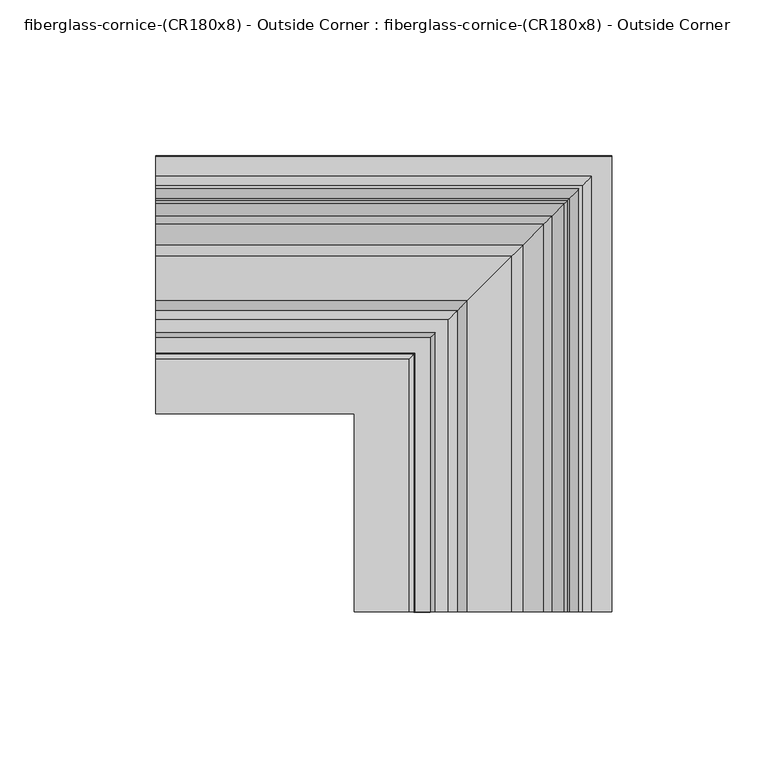
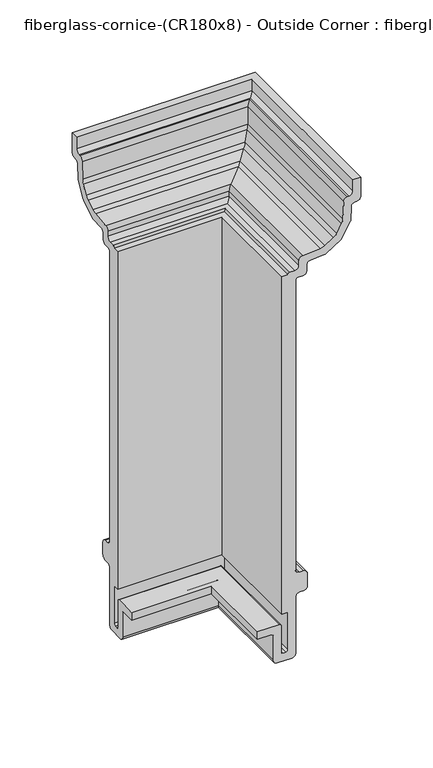
"""IFC4 building model written with IfcOpenShell, lengths in millimetres: furniture geometry, fiberglass-cornice-(CR180x8) - Outside Corner : fiberglass-cornice-(CR180x8) - Outside Corner."""

from ifc_helpers import new_model, si_unit, frame, origin, place, context, project, spatial, polyline, circle_curve, ellipse_curve, source, transform, mapped, element, save
from ifc_brep_helpers import plane_surface, cylinder_surface, revolved_surface, advanced_brep


def fiberglass_cornice_cr180x8_outside_corner_fiberglass_cornice_961a654e(model_context):
    return source(origin(), model_context, "Body", "AdvancedBrep", [
        advanced_brep(
        [(-196.9488213, 184.0460006, 330.1999904), (-196.9488213, 184.111361, 314.1070439), (-196.9488213, 180.936361, 310.9320439), (-196.9488213, 179.6641986, 310.9320439), (-196.9488213, 176.4918464, 307.8866827), (-196.9488213, 176.0253445, 296.4710627), (-196.9488213, 175.7856957, 295.6445662), (-196.9488213, 168.7707865, 283.4942521), (-196.9488213, 168.17485, 282.8734562), (-196.9488213, 156.3212036, 275.3681146), (-196.9488213, 155.5051855, 275.0949071), (-196.9488213, 143.991913, 274.1521808), (-196.9488213, 141.0763949, 271.2366627), (-196.9488213, 141.0690401, 266.3509303), (-196.9488213, 137.8940437, 263.171163), (-196.9488213, 133.804655, 263.171163), (-196.9488213, 132.217155, 261.583663), (-196.9488213, 132.217155, 16.6929136), (-196.9488213, 135.392155, 13.5179136), (-196.9488213, 138.3928449, 13.5179136), (-196.9488213, 141.5678449, 10.3429136), (-196.9488213, 141.5678449, 0.0731593), (-196.9488213, 138.3928449, -3.1018407), (-196.9488213, 135.392155, -3.1018407), (-196.9488213, 132.217155, -6.2768407), (-196.9488213, 132.217155, -53.6088226), (-196.9488213, 129.042155, -56.7838226), (-196.9488213, 117.475, -56.7838226), (-196.9488213, 114.3, -53.6088226), (-196.9488213, 114.3, -32.9713226), (-196.9488213, 112.7125, -31.3838226), (-196.9488213, 101.6, -31.3838226), (-196.9488213, 101.6, -25.0338226), (-196.9488213, 119.0625, -25.0338226), (-196.9488213, 120.65, -26.6213226), (-196.9488213, 120.65, -48.8463226), (-196.9488213, 122.2375, -50.4338226), (-196.9488213, 124.279655, -50.4338226), (-196.9488213, 125.867155, -48.8463226), (-196.9488213, 125.867155, -17.0963226), (-196.9488213, 121.104655, -17.0963226), (-196.9488213, 121.104655, 267.933663), (-196.9488213, 125.867155, 267.933663), (-196.9488213, 127.454655, 269.521163), (-196.9488213, 131.5535711, 269.521163), (-196.9488213, 134.7285693, 272.6927921), (-196.9488213, 134.739389, 277.0104378), (-196.9488213, 137.6506927, 280.0042025), (-196.9488213, 151.9231106, 281.1728523), (-196.9488213, 155.5215238, 282.3776218), (-196.9488213, 162.1806397, 286.5939564), (-196.9488213, 164.8085542, 289.3314941), (-196.9488213, 168.7493748, 296.1572713), (-196.9488213, 169.8061596, 299.8018911), (-196.9488213, 170.3960406, 314.2366827), (-196.9488213, 173.5683928, 317.2820439), (-196.9488213, 174.586361, 317.2820439), (-196.9488213, 177.761361, 320.4570439), (-196.9488213, 177.761361, 330.1999904), (-50.903602, 38.0007813, 330.1999904), (-57.1882416, 38.0007813, 330.1999904), (-57.1882416, 38.0007813, 320.4570439), (-60.3632416, 38.0007813, 317.2820439), (-61.3812097, 38.0007813, 317.2820439), (-64.553562, 38.0007813, 314.2366827), (-65.143443, 38.0007813, 299.8018911), (-66.2002278, 38.0007813, 296.1572713), (-70.1410484, 38.0007813, 289.3314941), (-72.7689629, 38.0007813, 286.5939564), (-79.4280788, 38.0007813, 282.3776218), (-83.026492, 38.0007813, 281.1728523), (-97.2989099, 38.0007813, 280.0042025), (-100.2102136, 38.0007813, 277.0104378), (-100.2210333, 38.0007813, 272.6927921), (-103.3960315, 38.0007813, 269.521163), (-107.4949476, 38.0007813, 269.521163), (-109.0824476, 38.0007813, 267.933663), (-113.8449476, 38.0007813, 267.933663), (-113.8449476, 38.0007813, -17.0963226), (-109.0824476, 38.0007813, -17.0963226), (-109.0824476, 38.0007813, -48.8463226), (-110.6699476, 38.0007813, -50.4338226), (-112.7121026, 38.0007813, -50.4338226), (-114.2996026, 38.0007813, -48.8463226), (-114.2996026, 38.0007813, -26.6213226), (-115.8871026, 38.0007813, -25.0338226), (-133.3496026, 38.0007813, -25.0338226), (-133.3496026, 38.0007813, -31.3838226), (-122.2371026, 38.0007813, -31.3838226), (-120.6496026, 38.0007813, -32.9713226), (-120.6496026, 38.0007813, -53.6088226), (-117.4746026, 38.0007813, -56.7838226), (-105.9074476, 38.0007813, -56.7838226), (-102.7324476, 38.0007813, -53.6088226), (-102.7324476, 38.0007813, -6.2768407), (-99.5574476, 38.0007813, -3.1018407), (-96.5567576, 38.0007813, -3.1018407), (-93.3817576, 38.0007813, 0.0731593), (-93.3817576, 38.0007813, 10.3429136), (-96.5567576, 38.0007813, 13.5179136), (-99.5574476, 38.0007813, 13.5179136), (-102.7324476, 38.0007813, 16.6929136), (-102.7324476, 38.0007813, 261.583663), (-101.1449476, 38.0007813, 263.171163), (-97.0555589, 38.0007813, 263.171163), (-93.8805625, 38.0007813, 266.3509303), (-93.8732077, 38.0007813, 271.2366627), (-90.9576896, 38.0007813, 274.1521808), (-79.4444171, 38.0007813, 275.0949071), (-78.628399, 38.0007813, 275.3681146), (-66.7747526, 38.0007813, 282.8734562), (-66.1788161, 38.0007813, 283.4942521), (-59.1639069, 38.0007813, 295.6445662), (-58.9242581, 38.0007813, 296.4710627), (-58.4577562, 38.0007813, 307.8866827), (-55.285404, 38.0007813, 310.9320439), (-54.0132416, 38.0007813, 310.9320439), (-50.8382416, 38.0007813, 314.1070439), (-50.903602, 184.0460006, 330.1999904), (-50.8382416, 184.111361, 314.1070439), (-54.0132416, 180.936361, 310.9320439), (-55.285404, 179.6641986, 310.9320439), (-58.4577562, 176.4918464, 307.8866827), (-58.9242581, 176.0253445, 296.4710627), (-59.1639069, 175.7856957, 295.6445662), (-66.1788161, 168.7707865, 283.4942521), (-66.7747526, 168.17485, 282.8734562), (-78.628399, 156.3212036, 275.3681146), (-79.4444171, 155.5051855, 275.0949071), (-90.9576896, 143.991913, 274.1521808), (-93.8732077, 141.0763949, 271.2366627), (-93.8805625, 141.0690401, 266.3509303), (-97.0555589, 137.8940437, 263.171163), (-101.1449476, 133.804655, 263.171163), (-102.7324476, 132.217155, 261.583663), (-102.7324476, 132.217155, 16.6929136), (-99.5574476, 135.392155, 13.5179136), (-96.5567576, 138.3928449, 13.5179136), (-93.3817576, 141.5678449, 10.3429136), (-93.3817576, 141.5678449, 0.0731593), (-96.5567576, 138.3928449, -3.1018407), (-99.5574476, 135.392155, -3.1018407), (-102.7324476, 132.217155, -6.2768407), (-102.7324476, 132.217155, -53.6088226), (-105.9074476, 129.042155, -56.7838226), (-117.4746026, 117.475, -56.7838226), (-120.6496026, 114.3, -53.6088226), (-120.6496026, 114.3, -32.9713226), (-122.2371026, 112.7125, -31.3838226), (-133.3496026, 101.6, -31.3838226), (-133.3496026, 101.6, -25.0338226), (-115.8871026, 119.0625, -25.0338226), (-114.2996026, 120.65, -26.6213226), (-114.2996026, 120.65, -48.8463226), (-112.7121026, 122.2375, -50.4338226), (-110.6699476, 124.279655, -50.4338226), (-109.0824476, 125.867155, -48.8463226), (-109.0824476, 125.867155, -17.0963226), (-113.8449476, 121.104655, -17.0963226), (-113.8449476, 121.104655, 267.933663), (-109.0824476, 125.867155, 267.933663), (-107.4949476, 127.454655, 269.521163), (-103.3960315, 131.5535711, 269.521163), (-100.2210333, 134.7285693, 272.6927921), (-100.2102136, 134.739389, 277.0104378), (-97.2989099, 137.6506927, 280.0042025), (-83.026492, 151.9231106, 281.1728523), (-79.4280788, 155.5215238, 282.3776218), (-72.7689629, 162.1806397, 286.5939564), (-70.1410484, 164.8085542, 289.3314941), (-66.2002278, 168.7493748, 296.1572713), (-65.143443, 169.8061596, 299.8018911), (-64.553562, 170.3960406, 314.2366827), (-61.3812097, 173.5683928, 317.2820439), (-60.3632416, 174.586361, 317.2820439), (-57.1882416, 177.761361, 320.4570439), (-57.1882416, 177.761361, 330.1999904)],
        [
            (0, 1),
            (1, 2, circle_curve(frame((-196.9488213, 180.936361, 314.1070439), z_axis=(-1.0, 0.0, 0.0), x_axis=(0.0, -1.0, 0.0)), 3.175)),
            (2, 3),
            (3, 4, circle_curve(frame((-196.9488213, 179.6641986, 307.7570439), z_axis=(1.0, 0.0, 0.0), x_axis=(0.0, -1.0, 0.0)), 3.175)),
            (4, 5),
            (5, 6, circle_curve(frame((-196.9488213, 174.2268456, 296.5445587), z_axis=(-1.0, 0.0, 0.0), x_axis=(0.0, 1.0, 0.0)), 1.8)),
            (6, 7),
            (7, 8, circle_curve(frame((-196.9488213, 167.2119364, 284.3942446), z_axis=(-1.0, 0.0, 0.0), x_axis=(0.0, 1.0, 0.0)), 1.8)),
            (8, 9),
            (9, 10, circle_curve(frame((-196.9488213, 155.35829, 276.8889031), z_axis=(-1.0, 0.0, 0.0), x_axis=(0.0, 1.0, 0.0)), 1.8)),
            (10, 11),
            (11, 12, circle_curve(frame((-196.9488213, 143.991913, 271.2366627), z_axis=(1.0, 0.0, 0.0), x_axis=(0.0, 1.0, 0.0)), 2.9155181)),
            (12, 13),
            (13, 14, circle_curve(frame((-196.9488213, 137.8940437, 266.346163), z_axis=(-1.0, 0.0, 0.0), x_axis=(0.0, -1.0, 0.0)), 3.175)),
            (14, 15),
            (15, 16, circle_curve(frame((-196.9488213, 133.804655, 261.583663), z_axis=(1.0, 0.0, 0.0), x_axis=(0.0, -1.0, 0.0)), 1.5875)),
            (16, 17),
            (17, 18, circle_curve(frame((-196.9488213, 135.392155, 16.6929136), z_axis=(1.0, 0.0, 0.0), x_axis=(0.0, -1.0, 0.0)), 3.175)),
            (18, 19),
            (19, 20, circle_curve(frame((-196.9488213, 138.3928449, 10.3429136), z_axis=(-1.0, 0.0, 0.0), x_axis=(0.0, -1.0, 0.0)), 3.175)),
            (20, 21),
            (21, 22, circle_curve(frame((-196.9488213, 138.3928449, 0.0731593), z_axis=(-1.0, 0.0, 0.0), x_axis=(0.0, -1.0, 0.0)), 3.175)),
            (22, 23),
            (23, 24, circle_curve(frame((-196.9488213, 135.392155, -6.2768407), z_axis=(1.0, 0.0, 0.0), x_axis=(0.0, -1.0, 0.0)), 3.175)),
            (24, 25),
            (25, 26, circle_curve(frame((-196.9488213, 129.042155, -53.6088226), z_axis=(-1.0, 0.0, 0.0), x_axis=(0.0, -1.0, 0.0)), 3.175)),
            (26, 27),
            (27, 28, circle_curve(frame((-196.9488213, 117.475, -53.6088226), z_axis=(-1.0, 0.0, 0.0), x_axis=(0.0, -1.0, 0.0)), 3.175)),
            (28, 29),
            (29, 30, circle_curve(frame((-196.9488213, 112.7125, -32.9713226), z_axis=(1.0, 0.0, 0.0), x_axis=(0.0, -1.0, 0.0)), 1.5875)),
            (30, 31),
            (31, 32),
            (32, 33),
            (33, 34, circle_curve(frame((-196.9488213, 119.0625, -26.6213226), z_axis=(-1.0, 0.0, 0.0), x_axis=(0.0, -1.0, 0.0)), 1.5875)),
            (34, 35),
            (35, 36, circle_curve(frame((-196.9488213, 122.2375, -48.8463226), z_axis=(1.0, 0.0, 0.0), x_axis=(0.0, -1.0, 0.0)), 1.5875)),
            (36, 37),
            (37, 38, circle_curve(frame((-196.9488213, 124.279655, -48.8463226), z_axis=(1.0, 0.0, 0.0), x_axis=(0.0, -1.0, 0.0)), 1.5875)),
            (38, 39),
            (39, 40),
            (40, 41),
            (41, 42),
            (42, 43, circle_curve(frame((-196.9488213, 127.454655, 267.933663), z_axis=(-1.0, 0.0, 0.0), x_axis=(0.0, -1.0, 0.0)), 1.5875)),
            (43, 44),
            (44, 45, circle_curve(frame((-196.9488213, 131.5535711, 272.696163), z_axis=(1.0, 0.0, 0.0), x_axis=(0.0, -1.0, 0.0)), 3.175)),
            (45, 46),
            (46, 47, circle_curve(frame((-196.9488213, 137.9097999, 276.8397928), z_axis=(-1.0, 0.0, 0.0), x_axis=(0.0, -1.0, 0.0)), 3.175)),
            (47, 48),
            (48, 49, circle_curve(frame((-196.9488213, 151.2753426, 289.0838764), z_axis=(1.0, 0.0, 0.0), x_axis=(0.0, -1.0, 0.0)), 7.9375)),
            (49, 50),
            (50, 51, circle_curve(frame((-196.9488213, 157.9344585, 293.300211), z_axis=(1.0, 0.0, 0.0), x_axis=(0.0, -1.0, 0.0)), 7.9375)),
            (51, 52),
            (52, 53, circle_curve(frame((-196.9488213, 161.875279, 300.1259883), z_axis=(1.0, 0.0, 0.0), x_axis=(0.0, -1.0, 0.0)), 7.9375)),
            (53, 54),
            (54, 55, circle_curve(frame((-196.9488213, 173.5683928, 314.1070439), z_axis=(-1.0, 0.0, 0.0), x_axis=(0.0, -1.0, 0.0)), 3.175)),
            (55, 56),
            (56, 57, circle_curve(frame((-196.9488213, 174.586361, 320.4570439), z_axis=(1.0, 0.0, 0.0), x_axis=(0.0, -1.0, 0.0)), 3.175)),
            (57, 58),
            (58, 0),
            (59, 60),
            (60, 61),
            (61, 62, circle_curve(frame((-60.3632416, 38.0007813, 320.4570439), z_axis=(0.0, 1.0, 0.0), x_axis=(-1.0, 0.0, 0.0)), 3.175)),
            (62, 63),
            (63, 64, circle_curve(frame((-61.3812097, 38.0007813, 314.1070439), z_axis=(0.0, -1.0, 0.0), x_axis=(-1.0, 0.0, 0.0)), 3.175)),
            (64, 65),
            (65, 66, circle_curve(frame((-73.0743236, 38.0007813, 300.1259883), z_axis=(0.0, 1.0, 0.0), x_axis=(-1.0, 0.0, 0.0)), 7.9375)),
            (66, 67),
            (67, 68, circle_curve(frame((-77.0151441, 38.0007813, 293.300211), z_axis=(0.0, 1.0, 0.0), x_axis=(-1.0, 0.0, 0.0)), 7.9375)),
            (68, 69),
            (69, 70, circle_curve(frame((-83.67426, 38.0007813, 289.0838764), z_axis=(0.0, 1.0, 0.0), x_axis=(-1.0, 0.0, 0.0)), 7.9375)),
            (70, 71),
            (71, 72, circle_curve(frame((-97.0398027, 38.0007813, 276.8397928), z_axis=(0.0, -1.0, 0.0), x_axis=(-1.0, 0.0, 0.0)), 3.175)),
            (72, 73),
            (73, 74, circle_curve(frame((-103.3960315, 38.0007813, 272.696163), z_axis=(0.0, 1.0, 0.0), x_axis=(-1.0, 0.0, 0.0)), 3.175)),
            (74, 75),
            (75, 76, circle_curve(frame((-107.4949476, 38.0007813, 267.933663), z_axis=(0.0, -1.0, 0.0), x_axis=(-1.0, 0.0, 0.0)), 1.5875)),
            (76, 77),
            (77, 78),
            (78, 79),
            (79, 80),
            (80, 81, circle_curve(frame((-110.6699476, 38.0007813, -48.8463226), z_axis=(0.0, 1.0, 0.0), x_axis=(-1.0, 0.0, 0.0)), 1.5875)),
            (81, 82),
            (82, 83, circle_curve(frame((-112.7121026, 38.0007813, -48.8463226), z_axis=(0.0, 1.0, 0.0), x_axis=(-1.0, 0.0, 0.0)), 1.5875)),
            (83, 84),
            (84, 85, circle_curve(frame((-115.8871026, 38.0007813, -26.6213226), z_axis=(0.0, -1.0, 0.0), x_axis=(-1.0, 0.0, 0.0)), 1.5875)),
            (85, 86),
            (86, 87),
            (87, 88),
            (88, 89, circle_curve(frame((-122.2371026, 38.0007813, -32.9713226), z_axis=(0.0, 1.0, 0.0), x_axis=(-1.0, 0.0, 0.0)), 1.5875)),
            (89, 90),
            (90, 91, circle_curve(frame((-117.4746026, 38.0007813, -53.6088226), z_axis=(0.0, -1.0, 0.0), x_axis=(-1.0, 0.0, 0.0)), 3.175)),
            (91, 92),
            (92, 93, circle_curve(frame((-105.9074476, 38.0007813, -53.6088226), z_axis=(0.0, -1.0, 0.0), x_axis=(-1.0, 0.0, 0.0)), 3.175)),
            (93, 94),
            (94, 95, circle_curve(frame((-99.5574476, 38.0007813, -6.2768407), z_axis=(0.0, 1.0, 0.0), x_axis=(-1.0, 0.0, 0.0)), 3.175)),
            (95, 96),
            (96, 97, circle_curve(frame((-96.5567576, 38.0007813, 0.0731593), z_axis=(0.0, -1.0, 0.0), x_axis=(-1.0, 0.0, 0.0)), 3.175)),
            (97, 98),
            (98, 99, circle_curve(frame((-96.5567576, 38.0007813, 10.3429136), z_axis=(0.0, -1.0, 0.0), x_axis=(-1.0, 0.0, 0.0)), 3.175)),
            (99, 100),
            (100, 101, circle_curve(frame((-99.5574476, 38.0007813, 16.6929136), z_axis=(0.0, 1.0, 0.0), x_axis=(-1.0, 0.0, 0.0)), 3.175)),
            (101, 102),
            (102, 103, circle_curve(frame((-101.1449476, 38.0007813, 261.583663), z_axis=(0.0, 1.0, 0.0), x_axis=(-1.0, 0.0, 0.0)), 1.5875)),
            (103, 104),
            (104, 105, circle_curve(frame((-97.0555589, 38.0007813, 266.346163), z_axis=(0.0, -1.0, 0.0), x_axis=(-1.0, 0.0, 0.0)), 3.175)),
            (105, 106),
            (106, 107, circle_curve(frame((-90.9576896, 38.0007813, 271.2366627), z_axis=(0.0, 1.0, 0.0), x_axis=(1.0, 0.0, 0.0)), 2.9155181)),
            (107, 108),
            (108, 109, circle_curve(frame((-79.5913126, 38.0007813, 276.8889031), z_axis=(0.0, -1.0, 0.0), x_axis=(1.0, 0.0, 0.0)), 1.8)),
            (109, 110),
            (110, 111, circle_curve(frame((-67.7376662, 38.0007813, 284.3942446), z_axis=(0.0, -1.0, 0.0), x_axis=(1.0, 0.0, 0.0)), 1.8)),
            (111, 112),
            (112, 113, circle_curve(frame((-60.722757, 38.0007813, 296.5445587), z_axis=(0.0, -1.0, 0.0), x_axis=(1.0, 0.0, 0.0)), 1.8)),
            (113, 114),
            (114, 115, circle_curve(frame((-55.285404, 38.0007813, 307.7570439), z_axis=(0.0, 1.0, 0.0), x_axis=(-1.0, 0.0, 0.0)), 3.175)),
            (115, 116),
            (116, 117, circle_curve(frame((-54.0132416, 38.0007813, 314.1070439), z_axis=(0.0, -1.0, 0.0), x_axis=(-1.0, 0.0, 0.0)), 3.175)),
            (117, 59),
            (0, 118),
            (118, 119),
            (119, 1),
            (119, 120, ellipse_curve(frame((-54.0132416, 180.936361, 314.1070439), z_axis=(-0.7071067811865563, 0.7071067811865387, 0.0), x_axis=(-0.7071067811865387, -0.7071067811865565, 0.0)), 4.4901281, 3.175)),
            (120, 2),
            (120, 116),
            (115, 121),
            (121, 3),
            (121, 122, ellipse_curve(frame((-55.285404, 179.6641986, 307.7570439), z_axis=(0.7071067811865563, -0.7071067811865387, 0.0), x_axis=(0.7071067811865387, 0.7071067811865565, 0.0)), 4.4901281, 3.175)),
            (122, 4),
            (122, 123),
            (123, 5),
            (123, 124, ellipse_curve(frame((-60.722757, 174.2268456, 296.5445587), z_axis=(-0.7071067811865563, 0.7071067811865387, 0.0), x_axis=(-0.7071067811865387, -0.7071067811865565, 0.0)), 2.5455844, 1.8)),
            (124, 6),
            (124, 125),
            (125, 7),
            (125, 126, ellipse_curve(frame((-67.7376662, 167.2119364, 284.3942446), z_axis=(-0.7071067811865563, 0.7071067811865387, 0.0), x_axis=(-0.7071067811865387, -0.7071067811865565, 0.0)), 2.5455844, 1.8)),
            (126, 8),
            (126, 127),
            (127, 9),
            (127, 128, ellipse_curve(frame((-79.5913126, 155.35829, 276.8889031), z_axis=(-0.7071067811865563, 0.7071067811865387, 0.0), x_axis=(-0.7071067811865387, -0.7071067811865565, 0.0)), 2.5455844, 1.8)),
            (128, 10),
            (128, 129),
            (129, 11),
            (129, 130, ellipse_curve(frame((-90.9576896, 143.991913, 271.2366627), z_axis=(0.7071067811865563, -0.7071067811865387, 0.0), x_axis=(0.7071067811865387, 0.7071067811865565, 0.0)), 4.1231652, 2.9155181)),
            (130, 12),
            (130, 131),
            (131, 13),
            (131, 132, ellipse_curve(frame((-97.0555589, 137.8940437, 266.346163), z_axis=(-0.7071067811865563, 0.7071067811865387, 0.0), x_axis=(-0.7071067811865387, -0.7071067811865565, 0.0)), 4.4901281, 3.175)),
            (132, 14),
            (132, 104),
            (103, 133),
            (133, 15),
            (133, 134, ellipse_curve(frame((-101.1449476, 133.804655, 261.583663), z_axis=(0.7071067811865563, -0.7071067811865387, 0.0), x_axis=(0.7071067811865387, 0.7071067811865565, 0.0)), 2.245064, 1.5875)),
            (134, 16),
            (134, 135),
            (135, 17),
            (135, 136, ellipse_curve(frame((-99.5574476, 135.392155, 16.6929136), z_axis=(0.7071067811865563, -0.7071067811865387, 0.0), x_axis=(0.7071067811865387, 0.7071067811865565, 0.0)), 4.4901281, 3.175)),
            (136, 18),
            (136, 100),
            (99, 137),
            (137, 19),
            (137, 138, ellipse_curve(frame((-96.5567576, 138.3928449, 10.3429136), z_axis=(-0.7071067811865563, 0.7071067811865387, 0.0), x_axis=(-0.7071067811865387, -0.7071067811865565, 0.0)), 4.4901281, 3.175)),
            (138, 20),
            (138, 139),
            (139, 21),
            (139, 140, ellipse_curve(frame((-96.5567576, 138.3928449, 0.0731593), z_axis=(-0.7071067811865563, 0.7071067811865387, 0.0), x_axis=(-0.7071067811865387, -0.7071067811865565, 0.0)), 4.4901281, 3.175)),
            (140, 22),
            (140, 96),
            (95, 141),
            (141, 23),
            (141, 142, ellipse_curve(frame((-99.5574476, 135.392155, -6.2768407), z_axis=(0.7071067811865563, -0.7071067811865387, 0.0), x_axis=(0.7071067811865387, 0.7071067811865565, 0.0)), 4.4901281, 3.175)),
            (142, 24),
            (142, 143),
            (143, 25),
            (143, 144, ellipse_curve(frame((-105.9074476, 129.042155, -53.6088226), z_axis=(-0.7071067811865563, 0.7071067811865387, 0.0), x_axis=(-0.7071067811865387, -0.7071067811865565, 0.0)), 4.4901281, 3.175)),
            (144, 26),
            (144, 92),
            (91, 145),
            (145, 27),
            (145, 146, ellipse_curve(frame((-117.4746026, 117.475, -53.6088226), z_axis=(-0.7071067811865563, 0.7071067811865387, 0.0), x_axis=(-0.7071067811865387, -0.7071067811865565, 0.0)), 4.4901281, 3.175)),
            (146, 28),
            (146, 147),
            (147, 29),
            (147, 148, ellipse_curve(frame((-122.2371026, 112.7125, -32.9713226), z_axis=(0.7071067811865563, -0.7071067811865387, 0.0), x_axis=(0.7071067811865387, 0.7071067811865565, 0.0)), 2.245064, 1.5875)),
            (148, 30),
            (148, 88),
            (87, 149),
            (149, 31),
            (149, 150),
            (150, 32),
            (150, 86),
            (85, 151),
            (151, 33),
            (151, 152, ellipse_curve(frame((-115.8871026, 119.0625, -26.6213226), z_axis=(-0.7071067811865563, 0.7071067811865387, 0.0), x_axis=(-0.7071067811865387, -0.7071067811865565, 0.0)), 2.245064, 1.5875)),
            (152, 34),
            (152, 153),
            (153, 35),
            (153, 154, ellipse_curve(frame((-112.7121026, 122.2375, -48.8463226), z_axis=(0.7071067811865563, -0.7071067811865387, 0.0), x_axis=(0.7071067811865387, 0.7071067811865565, 0.0)), 2.245064, 1.5875)),
            (154, 36),
            (154, 82),
            (81, 155),
            (155, 37),
            (155, 156, ellipse_curve(frame((-110.6699476, 124.279655, -48.8463226), z_axis=(0.7071067811865563, -0.7071067811865387, 0.0), x_axis=(0.7071067811865387, 0.7071067811865565, 0.0)), 2.245064, 1.5875)),
            (156, 38),
            (156, 157),
            (157, 39),
            (157, 79),
            (78, 158),
            (158, 40),
            (158, 159),
            (159, 41),
            (159, 77),
            (76, 160),
            (160, 42),
            (160, 161, ellipse_curve(frame((-107.4949476, 127.454655, 267.933663), z_axis=(-0.7071067811865563, 0.7071067811865387, 0.0), x_axis=(-0.7071067811865387, -0.7071067811865565, 0.0)), 2.245064, 1.5875)),
            (161, 43),
            (161, 75),
            (74, 162),
            (162, 44),
            (162, 163, ellipse_curve(frame((-103.3960315, 131.5535711, 272.696163), z_axis=(0.7071067811865563, -0.7071067811865387, 0.0), x_axis=(0.7071067811865387, 0.7071067811865565, 0.0)), 4.4901281, 3.175)),
            (163, 45),
            (163, 164),
            (164, 46),
            (164, 165, ellipse_curve(frame((-97.0398027, 137.9097999, 276.8397928), z_axis=(-0.7071067811865563, 0.7071067811865387, 0.0), x_axis=(-0.7071067811865387, -0.7071067811865565, 0.0)), 4.4901281, 3.175)),
            (165, 47),
            (165, 166),
            (166, 48),
            (166, 167, ellipse_curve(frame((-83.67426, 151.2753426, 289.0838764), z_axis=(0.7071067811865563, -0.7071067811865387, 0.0), x_axis=(0.7071067811865387, 0.7071067811865565, 0.0)), 11.2253202, 7.9375)),
            (167, 49),
            (167, 168),
            (168, 50),
            (168, 169, ellipse_curve(frame((-77.0151441, 157.9344585, 293.300211), z_axis=(0.7071067811865563, -0.7071067811865387, 0.0), x_axis=(0.7071067811865387, 0.7071067811865565, 0.0)), 11.2253202, 7.9375)),
            (169, 51),
            (169, 170),
            (170, 52),
            (170, 171, ellipse_curve(frame((-73.0743236, 161.875279, 300.1259883), z_axis=(0.7071067811865563, -0.7071067811865387, 0.0), x_axis=(0.7071067811865387, 0.7071067811865565, 0.0)), 11.2253202, 7.9375)),
            (171, 53),
            (171, 172),
            (172, 54),
            (172, 173, ellipse_curve(frame((-61.3812097, 173.5683928, 314.1070439), z_axis=(-0.7071067811865563, 0.7071067811865387, 0.0), x_axis=(-0.7071067811865387, -0.7071067811865565, 0.0)), 4.4901281, 3.175)),
            (173, 55),
            (173, 63),
            (62, 174),
            (174, 56),
            (174, 175, ellipse_curve(frame((-60.3632416, 174.586361, 320.4570439), z_axis=(0.7071067811865563, -0.7071067811865387, 0.0), x_axis=(0.7071067811865387, 0.7071067811865565, 0.0)), 4.4901281, 3.175)),
            (175, 57),
            (175, 176),
            (176, 58),
            (176, 60),
            (59, 118),
            (117, 119),
            (114, 122),
            (113, 123),
            (112, 124),
            (111, 125),
            (110, 126),
            (109, 127),
            (108, 128),
            (107, 129),
            (106, 130),
            (105, 131),
            (102, 134),
            (101, 135),
            (98, 138),
            (97, 139),
            (94, 142),
            (93, 143),
            (90, 146),
            (89, 147),
            (84, 152),
            (83, 153),
            (80, 156),
            (73, 163),
            (72, 164),
            (71, 165),
            (70, 166),
            (69, 167),
            (68, 168),
            (67, 169),
            (66, 170),
            (65, 171),
            (64, 172),
            (61, 175),
        ],
        [
            plane_surface(frame((-196.9488213, 101.6, 330.1999904), z_axis=(-1.0, 0.0, 0.0), x_axis=(0.0, 0.0, 1.0))),
            plane_surface(frame((-133.3496026, 38.0007813, 330.1999904), z_axis=(0.0, -1.0, 0.0), x_axis=(0.0, 0.0, 1.0))),
            plane_surface(frame((-196.9488213, 184.0460006, 330.1999904), z_axis=(0.0, 0.9999917524925653, 0.004061397154666374), x_axis=(1.0, 0.0, 0.0))),
            cylinder_surface(frame((-196.9488213, 180.936361, 314.1070439), z_axis=(-1.0, 0.0, 0.0), x_axis=(0.0, -1.0, 0.0)), 3.175),
            plane_surface(frame((-196.9488213, 180.936361, 310.9320439), z_axis=(0.0, 0.0, -1.0), x_axis=(1.0, 0.0, 0.0))),
            revolved_surface(polyline([(-52.11040397209376, 176.48919859999998, 307.7570439), (-196.9488213, 176.48919859999998, 307.7570439)]), (-196.9488213, 179.6641986, 307.7570439), (1.0, 0.0, 0.0)),
            plane_surface(frame((-196.9488213, 176.4918464, 307.8866827), z_axis=(0.0, 0.9991660611473995, -0.040831143153128586), x_axis=(1.0, 0.0, 0.0))),
            cylinder_surface(frame((-196.9488213, 174.2268456, 296.5445587), z_axis=(-1.0, 0.0, 0.0), x_axis=(0.0, 1.0, 0.0)), 1.8),
            plane_surface(frame((-196.9488213, 175.7856957, 295.6445662), z_axis=(0.0, 0.866027809755315, -0.49999583271304576), x_axis=(1.0, 0.0, 0.0))),
            cylinder_surface(frame((-196.9488213, 167.2119364, 284.3942446), z_axis=(-1.0, 0.0, 0.0), x_axis=(0.0, 1.0, 0.0)), 1.8),
            plane_surface(frame((-196.9488213, 168.17485, 282.8734562), z_axis=(0.0, 0.5349519697979427, -0.8448824711220496), x_axis=(1.0, 0.0, 0.0))),
            cylinder_surface(frame((-196.9488213, 155.35829, 276.8889031), z_axis=(-1.0, 0.0, 0.0), x_axis=(0.0, 1.0, 0.0)), 1.8),
            plane_surface(frame((-196.9488213, 155.5051855, 275.0949071), z_axis=(0.0, 0.08160857611228918, -0.9966644572296761), x_axis=(1.0, 0.0, 0.0))),
            revolved_surface(polyline([(-88.04217152712765, 146.9074311, 271.2366627), (-196.9488213, 146.9074311, 271.2366627)]), (-196.9488213, 143.991913, 271.2366627), (1.0, 0.0, 0.0)),
            plane_surface(frame((-196.9488213, 141.0763949, 271.2366627), z_axis=(0.0, 0.999998866936516, -0.001505365631429339), x_axis=(1.0, 0.0, 0.0))),
            cylinder_surface(frame((-196.9488213, 137.8940437, 266.346163), z_axis=(-1.0, 0.0, 0.0), x_axis=(0.0, -1.0, 0.0)), 3.175),
            plane_surface(frame((-196.9488213, 137.8940437, 263.171163), z_axis=(0.0, 0.0, -1.0), x_axis=(1.0, 0.0, 0.0))),
            revolved_surface(polyline([(-99.55744762140222, 132.217155, 261.583663), (-196.9488213, 132.217155, 261.583663)]), (-196.9488213, 133.804655, 261.583663), (1.0, 0.0, 0.0)),
            plane_surface(frame((-196.9488213, 132.217155, 261.583663), z_axis=(0.0, 1.0, 0.0), x_axis=(1.0, 0.0, 0.0))),
            revolved_surface(polyline([(-96.38244757209378, 132.217155, 16.6929136), (-196.9488213, 132.217155, 16.6929136)]), (-196.9488213, 135.392155, 16.6929136), (1.0, 0.0, 0.0)),
            plane_surface(frame((-196.9488213, 135.392155, 13.5179136), z_axis=(0.0, 0.0, 1.0), x_axis=(1.0, 0.0, 0.0))),
            cylinder_surface(frame((-196.9488213, 138.3928449, 10.3429136), z_axis=(-1.0, 0.0, 0.0), x_axis=(0.0, -1.0, 0.0)), 3.175),
            plane_surface(frame((-196.9488213, 141.5678449, 10.3429136), z_axis=(0.0, 1.0, 0.0), x_axis=(1.0, 0.0, 0.0))),
            cylinder_surface(frame((-196.9488213, 138.3928449, 0.0731593), z_axis=(-1.0, 0.0, 0.0), x_axis=(0.0, -1.0, 0.0)), 3.175),
            plane_surface(frame((-196.9488213, 138.3928449, -3.1018407), z_axis=(0.0, 0.0, -1.0), x_axis=(1.0, 0.0, 0.0))),
            revolved_surface(polyline([(-96.38244757209378, 132.217155, -6.2768407), (-196.9488213, 132.217155, -6.2768407)]), (-196.9488213, 135.392155, -6.2768407), (1.0, 0.0, 0.0)),
            plane_surface(frame((-196.9488213, 132.217155, -6.2768407), z_axis=(0.0, 1.0, 0.0), x_axis=(1.0, 0.0, 0.0))),
            cylinder_surface(frame((-196.9488213, 129.042155, -53.6088226), z_axis=(-1.0, 0.0, 0.0), x_axis=(0.0, -1.0, 0.0)), 3.175),
            plane_surface(frame((-196.9488213, 129.042155, -56.7838226), z_axis=(0.0, 0.0, -1.0), x_axis=(1.0, 0.0, 0.0))),
            cylinder_surface(frame((-196.9488213, 117.475, -53.6088226), z_axis=(-1.0, 0.0, 0.0), x_axis=(0.0, -1.0, 0.0)), 3.175),
            plane_surface(frame((-196.9488213, 114.3, -53.6088226), z_axis=(0.0, -1.0, 0.0), x_axis=(1.0, 0.0, 0.0))),
            revolved_surface(polyline([(-120.6496026, 111.125, -32.9713226), (-196.9488213, 111.125, -32.9713226)]), (-196.9488213, 112.7125, -32.9713226), (1.0, 0.0, 0.0)),
            plane_surface(frame((-196.9488213, 112.7125, -31.3838226), z_axis=(0.0, 0.0, -1.0), x_axis=(1.0, 0.0, 0.0))),
            plane_surface(frame((-196.9488213, 101.6, -31.3838226), z_axis=(0.0, -1.0, 0.0), x_axis=(1.0, 0.0, 0.0))),
            plane_surface(frame((-196.9488213, 101.6, -25.0338226), z_axis=(0.0, 0.0, 1.0), x_axis=(1.0, 0.0, 0.0))),
            cylinder_surface(frame((-196.9488213, 119.0625, -26.6213226), z_axis=(-1.0, 0.0, 0.0), x_axis=(0.0, -1.0, 0.0)), 1.5875),
            plane_surface(frame((-196.9488213, 120.65, -26.6213226), z_axis=(0.0, 1.0, 0.0), x_axis=(1.0, 0.0, 0.0))),
            revolved_surface(polyline([(-111.12460262140222, 120.64999999999999, -48.8463226), (-196.9488213, 120.64999999999999, -48.8463226)]), (-196.9488213, 122.2375, -48.8463226), (1.0, 0.0, 0.0)),
            plane_surface(frame((-196.9488213, 122.2375, -50.4338226), z_axis=(0.0, 0.0, 1.0), x_axis=(1.0, 0.0, 0.0))),
            revolved_surface(polyline([(-109.0824476, 122.692155, -48.8463226), (-196.9488213, 122.692155, -48.8463226)]), (-196.9488213, 124.279655, -48.8463226), (1.0, 0.0, 0.0)),
            plane_surface(frame((-196.9488213, 125.867155, -48.8463226), z_axis=(0.0, -1.0, 0.0), x_axis=(1.0, 0.0, 0.0))),
            plane_surface(frame((-196.9488213, 125.867155, -17.0963226), z_axis=(0.0, 0.0, -1.0), x_axis=(1.0, 0.0, 0.0))),
            plane_surface(frame((-196.9488213, 121.104655, -17.0963226), z_axis=(0.0, -1.0, 0.0), x_axis=(1.0, 0.0, 0.0))),
            plane_surface(frame((-196.9488213, 121.104655, 267.933663), z_axis=(0.0, 0.0, 1.0), x_axis=(1.0, 0.0, 0.0))),
            cylinder_surface(frame((-196.9488213, 127.454655, 267.933663), z_axis=(-1.0, 0.0, 0.0), x_axis=(0.0, -1.0, 0.0)), 1.5875),
            plane_surface(frame((-196.9488213, 127.454655, 269.521163), z_axis=(0.0, 0.0, 1.0), x_axis=(1.0, 0.0, 0.0))),
            revolved_surface(polyline([(-100.22103147209378, 128.3785711, 272.696163), (-196.9488213, 128.3785711, 272.696163)]), (-196.9488213, 131.5535711, 272.696163), (1.0, 0.0, 0.0)),
            plane_surface(frame((-196.9488213, 134.7285693, 272.6927921), z_axis=(0.0, -0.9999968601613838, 0.002505926450229707), x_axis=(1.0, 0.0, 0.0))),
            cylinder_surface(frame((-196.9488213, 137.9097999, 276.8397928), z_axis=(-1.0, 0.0, 0.0), x_axis=(0.0, -1.0, 0.0)), 3.175),
            plane_surface(frame((-196.9488213, 137.6506927, 280.0042025), z_axis=(0.0, -0.0816085761123055, 0.9966644572296747), x_axis=(1.0, 0.0, 0.0))),
            revolved_surface(polyline([(-75.73675996558977, 143.3378426, 289.0838764), (-196.9488213, 143.3378426, 289.0838764)]), (-196.9488213, 151.2753426, 289.0838764), (1.0, 0.0, 0.0)),
            plane_surface(frame((-196.9488213, 155.5215238, 282.3776218), z_axis=(0.0, -0.5349519697979317, 0.8448824711220567), x_axis=(1.0, 0.0, 0.0))),
            revolved_surface(polyline([(-69.07764406558977, 149.9969585, 293.300211), (-196.9488213, 149.9969585, 293.300211)]), (-196.9488213, 157.9344585, 293.300211), (1.0, 0.0, 0.0)),
            plane_surface(frame((-196.9488213, 164.8085542, 289.3314941), z_axis=(0.0, -0.8660278097553187, 0.49999583271303927), x_axis=(1.0, 0.0, 0.0))),
            revolved_surface(polyline([(-65.13682356558976, 153.937779, 300.1259883), (-196.9488213, 153.937779, 300.1259883)]), (-196.9488213, 161.875279, 300.1259883), (1.0, 0.0, 0.0)),
            plane_surface(frame((-196.9488213, 169.8061596, 299.8018911), z_axis=(0.0, -0.9991660611473986, 0.040831143153149764), x_axis=(1.0, 0.0, 0.0))),
            cylinder_surface(frame((-196.9488213, 173.5683928, 314.1070439), z_axis=(-1.0, 0.0, 0.0), x_axis=(0.0, -1.0, 0.0)), 3.175),
            plane_surface(frame((-196.9488213, 173.5683928, 317.2820439), z_axis=(0.0, 0.0, 1.0), x_axis=(1.0, 0.0, 0.0))),
            revolved_surface(polyline([(-57.18824157209377, 171.411361, 320.4570439), (-196.9488213, 171.411361, 320.4570439)]), (-196.9488213, 174.586361, 320.4570439), (1.0, 0.0, 0.0)),
            plane_surface(frame((-196.9488213, 177.761361, 320.4570439), z_axis=(0.0, -1.0, 0.0), x_axis=(1.0, 0.0, 0.0))),
            plane_surface(frame((-196.9488213, 177.761361, 330.1999904), z_axis=(0.0, 0.0, 1.0), x_axis=(1.0, 0.0, 0.0))),
            plane_surface(frame((-50.903602, 184.0460006, 330.1999904), z_axis=(0.9999917524925653, 0.0, 0.004061397154666373), x_axis=(0.0, -1.0, 0.0))),
            cylinder_surface(frame((-54.0132416, 101.6, 314.1070439), z_axis=(0.0, 1.0, 0.0), x_axis=(-1.0, 0.0, 0.0)), 3.175),
            revolved_surface(polyline([(-58.460404, 38.0007813, 307.7570439), (-58.460404, 182.83919862790628, 307.7570439)]), (-55.285404, 101.6, 307.7570439), (0.0, -1.0, 0.0)),
            plane_surface(frame((-58.4577562, 176.4918464, 307.8866827), z_axis=(0.9991660611473995, 0.0, -0.04083114315312858), x_axis=(0.0, -1.0, 0.0))),
            cylinder_surface(frame((-60.722757, 101.6, 296.5445587), z_axis=(0.0, 1.0, 0.0), x_axis=(1.0, 0.0, 0.0)), 1.8),
            plane_surface(frame((-59.1639069, 175.7856957, 295.6445662), z_axis=(0.866027809755315, 0.0, -0.4999958327130457), x_axis=(0.0, -1.0, 0.0))),
            cylinder_surface(frame((-67.7376662, 101.6, 284.3942446), z_axis=(0.0, 1.0, 0.0), x_axis=(1.0, 0.0, 0.0)), 1.8),
            plane_surface(frame((-66.7747526, 168.17485, 282.8734562), z_axis=(0.5349519697979428, 0.0, -0.8448824711220496), x_axis=(0.0, -1.0, 0.0))),
            cylinder_surface(frame((-79.5913126, 101.6, 276.8889031), z_axis=(0.0, 1.0, 0.0), x_axis=(1.0, 0.0, 0.0)), 1.8),
            plane_surface(frame((-79.4444171, 155.5051855, 275.0949071), z_axis=(0.0816085761122892, 0.0, -0.9966644572296761), x_axis=(0.0, -1.0, 0.0))),
            revolved_surface(polyline([(-88.0421715, 38.0007813, 271.2366627), (-88.0421715, 146.90743107287244, 271.2366627)]), (-90.9576896, 101.6, 271.2366627), (0.0, -1.0, 0.0)),
            plane_surface(frame((-93.8732077, 141.0763949, 271.2366627), z_axis=(0.999998866936516, 0.0, -0.0015053656314293388), x_axis=(0.0, -1.0, 0.0))),
            cylinder_surface(frame((-97.0555589, 101.6, 266.346163), z_axis=(0.0, 1.0, 0.0), x_axis=(-1.0, 0.0, 0.0)), 3.175),
            revolved_surface(polyline([(-102.7324476, 38.0007813, 261.583663), (-102.7324476, 135.3921549785978, 261.583663)]), (-101.1449476, 101.6, 261.583663), (0.0, -1.0, 0.0)),
            plane_surface(frame((-102.7324476, 132.217155, 261.583663), z_axis=(1.0, 0.0, 0.0), x_axis=(0.0, -1.0, 0.0))),
            revolved_surface(polyline([(-102.7324476, 38.0007813, 16.6929136), (-102.7324476, 138.56715502790632, 16.6929136)]), (-99.5574476, 101.6, 16.6929136), (0.0, -1.0, 0.0)),
            cylinder_surface(frame((-96.5567576, 101.6, 10.3429136), z_axis=(0.0, 1.0, 0.0), x_axis=(-1.0, 0.0, 0.0)), 3.175),
            plane_surface(frame((-93.3817576, 141.5678449, 10.3429136), z_axis=(1.0, 0.0, 0.0), x_axis=(0.0, -1.0, 0.0))),
            cylinder_surface(frame((-96.5567576, 101.6, 0.0731593), z_axis=(0.0, 1.0, 0.0), x_axis=(-1.0, 0.0, 0.0)), 3.175),
            revolved_surface(polyline([(-102.7324476, 38.0007813, -6.2768407), (-102.7324476, 138.56715502790632, -6.2768407)]), (-99.5574476, 101.6, -6.2768407), (0.0, -1.0, 0.0)),
            plane_surface(frame((-102.7324476, 132.217155, -6.2768407), z_axis=(1.0, 0.0, 0.0), x_axis=(0.0, -1.0, 0.0))),
            cylinder_surface(frame((-105.9074476, 101.6, -53.6088226), z_axis=(0.0, 1.0, 0.0), x_axis=(-1.0, 0.0, 0.0)), 3.175),
            cylinder_surface(frame((-117.4746026, 101.6, -53.6088226), z_axis=(0.0, 1.0, 0.0), x_axis=(-1.0, 0.0, 0.0)), 3.175),
            plane_surface(frame((-120.6496026, 114.3, -53.6088226), z_axis=(-1.0, 0.0, 0.0), x_axis=(0.0, -1.0, 0.0))),
            revolved_surface(polyline([(-123.8246026, 38.0007813, -32.9713226), (-123.8246026, 114.3, -32.9713226)]), (-122.2371026, 101.6, -32.9713226), (0.0, -1.0, 0.0)),
            plane_surface(frame((-133.3496026, 101.6, -31.3838226), z_axis=(-1.0, 0.0, 0.0), x_axis=(0.0, -1.0, 0.0))),
            cylinder_surface(frame((-115.8871026, 101.6, -26.6213226), z_axis=(0.0, 1.0, 0.0), x_axis=(-1.0, 0.0, 0.0)), 1.5875),
            plane_surface(frame((-114.2996026, 120.65, -26.6213226), z_axis=(1.0, 0.0, 0.0), x_axis=(0.0, -1.0, 0.0))),
            revolved_surface(polyline([(-114.2996026, 38.0007813, -48.8463226), (-114.2996026, 123.82499997859782, -48.8463226)]), (-112.7121026, 101.6, -48.8463226), (0.0, -1.0, 0.0)),
            revolved_surface(polyline([(-112.2574476, 38.0007813, -48.8463226), (-112.2574476, 125.867155, -48.8463226)]), (-110.6699476, 101.6, -48.8463226), (0.0, -1.0, 0.0)),
            plane_surface(frame((-109.0824476, 125.867155, -48.8463226), z_axis=(-1.0, 0.0, 0.0), x_axis=(0.0, -1.0, 0.0))),
            plane_surface(frame((-113.8449476, 121.104655, -17.0963226), z_axis=(-1.0, 0.0, 0.0), x_axis=(0.0, -1.0, 0.0))),
            cylinder_surface(frame((-107.4949476, 101.6, 267.933663), z_axis=(0.0, 1.0, 0.0), x_axis=(-1.0, 0.0, 0.0)), 1.5875),
            revolved_surface(polyline([(-106.5710315, 38.0007813, 272.696163), (-106.5710315, 134.72857112790632, 272.696163)]), (-103.3960315, 101.6, 272.696163), (0.0, -1.0, 0.0)),
            plane_surface(frame((-100.2210333, 134.7285693, 272.6927921), z_axis=(-0.9999968601613838, 0.0, 0.0025059264502297067), x_axis=(0.0, -1.0, 0.0))),
            cylinder_surface(frame((-97.0398027, 101.6, 276.8397928), z_axis=(0.0, 1.0, 0.0), x_axis=(-1.0, 0.0, 0.0)), 3.175),
            plane_surface(frame((-97.2989099, 137.6506927, 280.0042025), z_axis=(-0.08160857611230551, 0.0, 0.9966644572296747), x_axis=(0.0, -1.0, 0.0))),
            revolved_surface(polyline([(-91.61176, 38.0007813, 289.0838764), (-91.61176, 159.21284263441044, 289.0838764)]), (-83.67426, 101.6, 289.0838764), (0.0, -1.0, 0.0)),
            plane_surface(frame((-79.4280788, 155.5215238, 282.3776218), z_axis=(-0.5349519697979317, 0.0, 0.8448824711220566), x_axis=(0.0, -1.0, 0.0))),
            revolved_surface(polyline([(-84.9526441, 38.0007813, 293.300211), (-84.9526441, 165.87195853441045, 293.300211)]), (-77.0151441, 101.6, 293.300211), (0.0, -1.0, 0.0)),
            plane_surface(frame((-70.1410484, 164.8085542, 289.3314941), z_axis=(-0.8660278097553188, 0.0, 0.49999583271303927), x_axis=(0.0, -1.0, 0.0))),
            revolved_surface(polyline([(-81.0118236, 38.0007813, 300.1259883), (-81.0118236, 169.81277903441043, 300.1259883)]), (-73.0743236, 101.6, 300.1259883), (0.0, -1.0, 0.0)),
            plane_surface(frame((-65.143443, 169.8061596, 299.8018911), z_axis=(-0.9991660611473986, 0.0, 0.04083114315314976), x_axis=(0.0, -1.0, 0.0))),
            cylinder_surface(frame((-61.3812097, 101.6, 314.1070439), z_axis=(0.0, 1.0, 0.0), x_axis=(-1.0, 0.0, 0.0)), 3.175),
            revolved_surface(polyline([(-63.5382416, 38.0007813, 320.4570439), (-63.5382416, 177.76136102790633, 320.4570439)]), (-60.3632416, 101.6, 320.4570439), (0.0, -1.0, 0.0)),
            plane_surface(frame((-57.1882416, 177.761361, 320.4570439), z_axis=(-1.0, 0.0, 0.0), x_axis=(0.0, -1.0, 0.0))),
        ],
        [
            (0, [[1, 2, 3, 4, 5, 6, 7, 8, 9, 10, 11, 12, 13, 14, 15, 16, 17, 18, 19, 20, 21, 22, 23, 24, 25, 26, 27, 28, 29, 30, 31, 32, 33, 34, 35, 36, 37, 38, 39, 40, 41, 42, 43, 44, 45, 46, 47, 48, 49, 50, 51, 52, 53, 54, 55, 56, 57, 58, 59]]),
            (1, [[60, 61, 62, 63, 64, 65, 66, 67, 68, 69, 70, 71, 72, 73, 74, 75, 76, 77, 78, 79, 80, 81, 82, 83, 84, 85, 86, 87, 88, 89, 90, 91, 92, 93, 94, 95, 96, 97, 98, 99, 100, 101, 102, 103, 104, 105, 106, 107, 108, 109, 110, 111, 112, 113, 114, 115, 116, 117, 118]]),
            (2, [[-1, 119, 120, 121]]),
            (3, [[-2, -121, 122, 123]]),
            (4, [[-3, -123, 124, -116, 125, 126]]),
            (5, [[-4, -126, 127, 128]]),
            (6, [[-5, -128, 129, 130]]),
            (7, [[-6, -130, 131, 132]]),
            (8, [[-7, -132, 133, 134]]),
            (9, [[-8, -134, 135, 136]]),
            (10, [[-9, -136, 137, 138]]),
            (11, [[-10, -138, 139, 140]]),
            (12, [[-11, -140, 141, 142]]),
            (13, [[-12, -142, 143, 144]]),
            (14, [[-13, -144, 145, 146]]),
            (15, [[-14, -146, 147, 148]]),
            (16, [[-15, -148, 149, -104, 150, 151]]),
            (17, [[-16, -151, 152, 153]]),
            (18, [[-17, -153, 154, 155]]),
            (19, [[-18, -155, 156, 157]]),
            (20, [[-19, -157, 158, -100, 159, 160]]),
            (21, [[-20, -160, 161, 162]]),
            (22, [[-21, -162, 163, 164]]),
            (23, [[-22, -164, 165, 166]]),
            (24, [[-23, -166, 167, -96, 168, 169]]),
            (25, [[-24, -169, 170, 171]]),
            (26, [[-25, -171, 172, 173]]),
            (27, [[-26, -173, 174, 175]]),
            (28, [[-27, -175, 176, -92, 177, 178]]),
            (29, [[-28, -178, 179, 180]]),
            (30, [[-29, -180, 181, 182]]),
            (31, [[-30, -182, 183, 184]]),
            (32, [[-31, -184, 185, -88, 186, 187]]),
            (33, [[-32, -187, 188, 189]]),
            (34, [[-33, -189, 190, -86, 191, 192]]),
            (35, [[-34, -192, 193, 194]]),
            (36, [[-35, -194, 195, 196]]),
            (37, [[-36, -196, 197, 198]]),
            (38, [[-37, -198, 199, -82, 200, 201]]),
            (39, [[-38, -201, 202, 203]]),
            (40, [[-39, -203, 204, 205]]),
            (41, [[-40, -205, 206, -79, 207, 208]]),
            (42, [[-41, -208, 209, 210]]),
            (43, [[-42, -210, 211, -77, 212, 213]]),
            (44, [[-43, -213, 214, 215]]),
            (45, [[-44, -215, 216, -75, 217, 218]]),
            (46, [[-45, -218, 219, 220]]),
            (47, [[-46, -220, 221, 222]]),
            (48, [[-47, -222, 223, 224]]),
            (49, [[-48, -224, 225, 226]]),
            (50, [[-49, -226, 227, 228]]),
            (51, [[-50, -228, 229, 230]]),
            (52, [[-51, -230, 231, 232]]),
            (53, [[-52, -232, 233, 234]]),
            (54, [[-53, -234, 235, 236]]),
            (55, [[-54, -236, 237, 238]]),
            (56, [[-55, -238, 239, 240]]),
            (57, [[-56, -240, 241, -63, 242, 243]]),
            (58, [[-57, -243, 244, 245]]),
            (59, [[-58, -245, 246, 247]]),
            (60, [[-59, -247, 248, -60, 249, -119]]),
            (61, [[-120, -249, -118, 250]]),
            (62, [[-122, -250, -117, -124]]),
            (63, [[-127, -125, -115, 251]]),
            (64, [[-129, -251, -114, 252]]),
            (65, [[-131, -252, -113, 253]]),
            (66, [[-133, -253, -112, 254]]),
            (67, [[-135, -254, -111, 255]]),
            (68, [[-137, -255, -110, 256]]),
            (69, [[-139, -256, -109, 257]]),
            (70, [[-141, -257, -108, 258]]),
            (71, [[-143, -258, -107, 259]]),
            (72, [[-145, -259, -106, 260]]),
            (73, [[-147, -260, -105, -149]]),
            (74, [[-152, -150, -103, 261]]),
            (75, [[-154, -261, -102, 262]]),
            (76, [[-156, -262, -101, -158]]),
            (77, [[-161, -159, -99, 263]]),
            (78, [[-163, -263, -98, 264]]),
            (79, [[-165, -264, -97, -167]]),
            (80, [[-170, -168, -95, 265]]),
            (81, [[-172, -265, -94, 266]]),
            (82, [[-174, -266, -93, -176]]),
            (83, [[-179, -177, -91, 267]]),
            (84, [[-181, -267, -90, 268]]),
            (85, [[-183, -268, -89, -185]]),
            (86, [[-188, -186, -87, -190]]),
            (87, [[-193, -191, -85, 269]]),
            (88, [[-195, -269, -84, 270]]),
            (89, [[-197, -270, -83, -199]]),
            (90, [[-202, -200, -81, 271]]),
            (91, [[-204, -271, -80, -206]]),
            (92, [[-209, -207, -78, -211]]),
            (93, [[-214, -212, -76, -216]]),
            (94, [[-219, -217, -74, 272]]),
            (95, [[-221, -272, -73, 273]]),
            (96, [[-223, -273, -72, 274]]),
            (97, [[-225, -274, -71, 275]]),
            (98, [[-227, -275, -70, 276]]),
            (99, [[-229, -276, -69, 277]]),
            (100, [[-231, -277, -68, 278]]),
            (101, [[-233, -278, -67, 279]]),
            (102, [[-235, -279, -66, 280]]),
            (103, [[-237, -280, -65, 281]]),
            (104, [[-239, -281, -64, -241]]),
            (105, [[-244, -242, -62, 282]]),
            (106, [[-246, -282, -61, -248]]),
        ],
    ),
    ])


if __name__ == "__main__":
    model = new_model("IFC4")
    model_context = context("Model", 3, world=origin())
    ifc_project = project(units=[si_unit("LENGTHUNIT", "METRE", prefix="MILLI")], contexts=[model_context])
    site = spatial("IfcSite", under=ifc_project)
    building = spatial("IfcBuilding", under=site)
    placement = place(None, origin())
    fiberglass_cornice_cr180x8_outside_corner_fiberglass_cornice_shape = fiberglass_cornice_cr180x8_outside_corner_fiberglass_cornice_961a654e(model_context)
    element("IfcFurniture", 1, ObjectType="fiberglass-cornice-(CR180x8) - Outside Corner : fiberglass-cornice-(CR180x8) - Outside Corner", at=placement, inside=building, context=model_context, shape_type="MappedRepresentation", body=[
        mapped(fiberglass_cornice_cr180x8_outside_corner_fiberglass_cornice_shape, transform((0.0, 0.0, 0.0), x_axis=(1.0, 0.0, 0.0), y_axis=(0.0, 1.0, 0.0), z_axis=(0.0, 0.0, 1.0))),
    ])
    save(model, "model.ifc")
